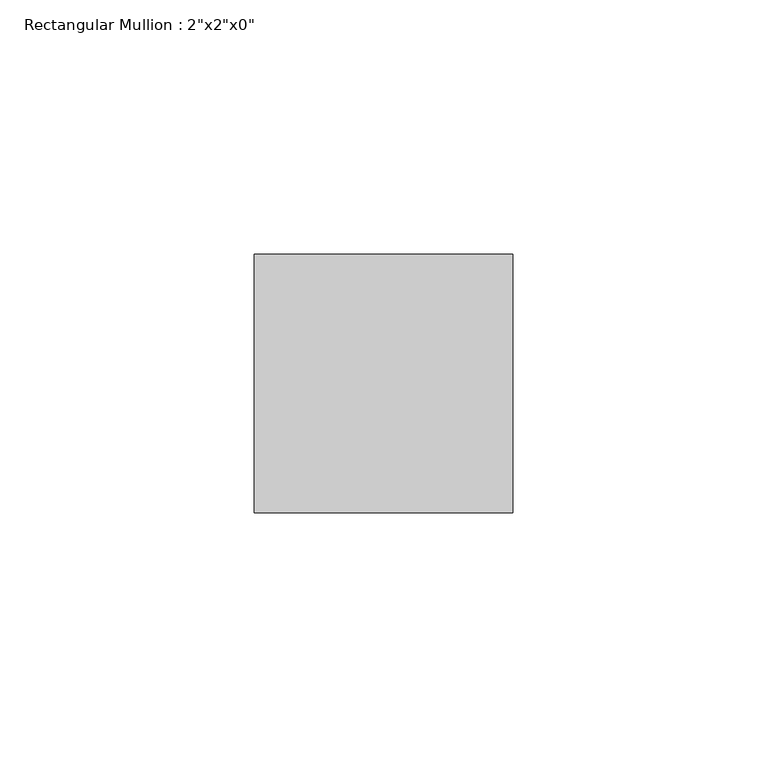
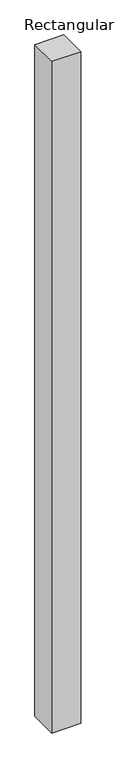
"""IFC4 building model written with IfcOpenShell, lengths in millimetres: member geometry."""

import ifcopenshell
import ifcopenshell.guid

model = None  # the IFC model being written
_history = None  # IfcOwnerHistory: only IFC2X3 demands one
_inside = {}  # id of a spatial element -> (the spatial element, [elements in it])
_under = {}  # id of a project, library or spatial element -> (it, [spatial elements below it])
_declared = {}  # id of a project -> (the project, [libraries it declares])
_typed = {}  # id of a type object -> (the type object, [elements of that type])
_made_of = {}  # id of a material, layer set ... -> (it, [elements and type objects made of it])


def new_model(schema):
    """Start an empty IFC model of exactly this schema.

    Asked for "IFC4X3", IfcOpenShell would pick the latest addendum, in which some entities
    have other attributes; the version numbers below select the first issue.
    IFC2X3 requires an IfcOwnerHistory on every rooted entity: one is made here for all.
    """
    global model, _history
    if schema == "IFC4X3":
        model = ifcopenshell.file(schema_version=(4, 3, 0, 0))
    else:
        model = ifcopenshell.file(schema=schema)
    _inside.clear()
    _under.clear()
    _declared.clear()
    _typed.clear()
    _made_of.clear()
    _history = None
    if model.schema == "IFC2X3":
        org = make("IfcOrganization", Name="unknown")
        user = make(
            "IfcPersonAndOrganization",
            ThePerson=make("IfcPerson", FamilyName="unknown"),
            TheOrganization=org,
        )
        app = make(
            "IfcApplication",
            ApplicationDeveloper=org,
            Version="unknown",
            ApplicationFullName="unknown",
            ApplicationIdentifier="unknown",
        )
        _history = make(
            "IfcOwnerHistory",
            OwningUser=user,
            OwningApplication=app,
            ChangeAction="ADDED",
            CreationDate=0,
        )
    return model


def make(cls, **values):
    """One entity of the class cls with the attributes given. An attribute that is None is left unset."""
    return model.create_entity(
        cls, **{name: value for name, value in values.items() if value is not None}
    )


def rooted(cls, **values):
    """An entity with a GlobalId (a new one), such as an element, a storey or a relation."""
    return make(cls, GlobalId=ifcopenshell.guid.new(), OwnerHistory=_history, **values)


def si_unit(unit_type, name, prefix=None):
    """IfcSIUnit, for example si_unit("LENGTHUNIT", "METRE", prefix="MILLI")."""
    return make("IfcSIUnit", UnitType=unit_type, Prefix=prefix, Name=name)


def assignment(units):
    """IfcUnitAssignment: the units of a project."""
    return None if units is None else make("IfcUnitAssignment", Units=units)


def point(xyz):
    """IfcCartesianPoint."""
    return None if xyz is None else make("IfcCartesianPoint", Coordinates=xyz)


def direction(xyz):
    """IfcDirection."""
    return None if xyz is None else make("IfcDirection", DirectionRatios=xyz)


def frame(location, z_axis=None, x_axis=None):
    """IfcAxis2Placement3D, a coordinate frame: its origin and axes. An axis left out is left unset."""
    return make(
        "IfcAxis2Placement3D",
        Location=point(location),
        Axis=direction(z_axis),
        RefDirection=direction(x_axis),
    )


def origin():
    """The frame at (0, 0, 0) with its axes left unset."""
    return frame((0.0, 0.0, 0.0))


def place(relative_to, where):
    """IfcLocalPlacement: puts the frame where relative to a parent placement (None: the world)."""
    return make(
        "IfcLocalPlacement", PlacementRelTo=relative_to, RelativePlacement=where
    )


def context(
    kind, dimensions, precision=None, world=None, true_north=None, identifier=None
):
    """IfcGeometricRepresentationContext, for example the 3D "Model" context."""
    return make(
        "IfcGeometricRepresentationContext",
        ContextIdentifier=identifier,
        ContextType=kind,
        CoordinateSpaceDimension=dimensions,
        Precision=precision,
        WorldCoordinateSystem=world,
        TrueNorth=true_north,
    )


def project(units=None, contexts=None):
    """IfcProject with its units and contexts."""
    return rooted(
        "IfcProject",
        Name="project",
        RepresentationContexts=contexts,
        UnitsInContext=assignment(units),
    )


def spatial(cls, under=None, at=None, **own):
    """A site, building, storey or space (cls), placed at a placement, below another one or the project."""
    s = rooted(cls, ObjectPlacement=at, **own)
    if under is not None:
        _under.setdefault(under.id(), (under, []))[1].append(s)
    return s


def polyline(points):
    """IfcPolyline through the points."""
    return make("IfcPolyline", Points=[point(p) for p in points])


def outline(outer, holes=None, kind="AREA"):
    """IfcArbitraryClosedProfileDef: a profile drawn as a closed curve; with holes, ...WithVoids."""
    if holes is None:
        return make("IfcArbitraryClosedProfileDef", ProfileType=kind, OuterCurve=outer)
    return make(
        "IfcArbitraryProfileDefWithVoids",
        ProfileType=kind,
        OuterCurve=outer,
        InnerCurves=holes,
    )


def extrude(swept, where, along, depth):
    """IfcExtrudedAreaSolid: the profile swept, set in the frame where, extruded along a direction by depth."""
    return make(
        "IfcExtrudedAreaSolid",
        SweptArea=swept,
        Position=where,
        ExtrudedDirection=direction(along),
        Depth=depth,
    )


def shape(context_of_items, identifier, shape_type, items):
    """IfcShapeRepresentation: the items that make up one representation, for example the "Body"."""
    return make(
        "IfcShapeRepresentation",
        ContextOfItems=context_of_items,
        RepresentationIdentifier=identifier,
        RepresentationType=shape_type,
        Items=items,
    )


def source(mapping_origin, context_of_items, identifier, shape_type, items):
    """IfcRepresentationMap: a shape defined once, which mapped items show again and again."""
    return make(
        "IfcRepresentationMap",
        MappingOrigin=mapping_origin,
        MappedRepresentation=shape(context_of_items, identifier, shape_type, items),
    )


def transform(
    local_origin,
    x_axis=None,
    y_axis=None,
    z_axis=None,
    scale=None,
    scale2=None,
    scale3=None,
    uniform=True,
):
    """IfcCartesianTransformationOperator3D, or its non-uniform kind. x_axis, y_axis, z_axis: its Axis1, 2, 3."""
    if uniform:
        return make(
            "IfcCartesianTransformationOperator3D",
            Axis1=direction(x_axis),
            Axis2=direction(y_axis),
            LocalOrigin=point(local_origin),
            Scale=scale,
            Axis3=direction(z_axis),
        )
    return make(
        "IfcCartesianTransformationOperator3DnonUniform",
        Axis1=direction(x_axis),
        Axis2=direction(y_axis),
        LocalOrigin=point(local_origin),
        Scale=scale,
        Axis3=direction(z_axis),
        Scale2=scale2,
        Scale3=scale3,
    )


def mapped(mapping_source, mapping_target):
    """IfcMappedItem: shows the shape of a source again, moved by a transform."""
    return make(
        "IfcMappedItem", MappingSource=mapping_source, MappingTarget=mapping_target
    )


def made_of(thing, what):
    """Note that an element or type object is made of a material, layer set ...; save() writes the relation."""
    if what is not None:
        _made_of.setdefault(what.id(), (what, []))[1].append(thing)
    return thing


def element(
    cls,
    number,
    at=None,
    inside=None,
    cuts=None,
    type_object=None,
    material=None,
    context=None,
    identifier="Body",
    shape_type=None,
    held_by="IfcProductDefinitionShape",
    body=None,
    shapes=None,
    **own,
):
    """One element of the class cls, such as IfcWall. Its Tag is "e" and its number.

    at: its placement. inside: the storey or other place that contains it. cuts: it is an
    opening in that element (IfcRelVoidsElement). A single representation is given by context,
    identifier, shape_type and body (its items); several are given by shapes. held_by: the class
    of the entity that holds the representations. save() writes the other relations.
    """
    e = rooted(cls, Tag="e%d" % number, ObjectPlacement=at, **own)
    if body is not None:
        shapes = [shape(context, identifier, shape_type, body)]
    if shapes is not None:
        e.Representation = make(held_by, Representations=shapes)
    if inside is not None:
        _inside.setdefault(inside.id(), (inside, []))[1].append(e)
    if cuts is not None:
        rooted(
            "IfcRelVoidsElement", RelatingBuildingElement=cuts, RelatedOpeningElement=e
        )
    if type_object is not None:
        _typed.setdefault(type_object.id(), (type_object, []))[1].append(e)
    return made_of(e, material)


def aggregate(whole, parts):
    """IfcRelAggregates: a whole, such as a stair, and the parts it consists of."""
    return rooted("IfcRelAggregates", RelatingObject=whole, RelatedObjects=parts)


def save(model, path):
    """Write the relations noted so far, then the file.

    IfcRelAggregates (storeys below a building ...), IfcRelContainedInSpatialStructure (elements
    in a storey), IfcRelDefinesByType, IfcRelAssociatesMaterial and IfcRelDeclares: one each for
    every whole, place, type object, material and project.
    """
    for whole, parts in _under.values():
        aggregate(whole, parts)
    for where, things in _inside.values():
        rooted(
            "IfcRelContainedInSpatialStructure",
            RelatedElements=things,
            RelatingStructure=where,
        )
    for kind, things in _typed.values():
        rooted("IfcRelDefinesByType", RelatedObjects=things, RelatingType=kind)
    for what, things in _made_of.values():
        rooted("IfcRelAssociatesMaterial", RelatedObjects=things, RelatingMaterial=what)
    for by, libraries in _declared.values():
        rooted("IfcRelDeclares", RelatingContext=by, RelatedDefinitions=libraries)
    model.write(path)


def member_cbea8c0f(model_context):
    return source(origin(), model_context, "Body", "SweptSolid", [
        extrude(outline(polyline([(25.4, 25.4), (25.4, -25.4), (-25.4, -25.4), (-25.4, 25.4), (25.4, 25.4)])), frame((0.0, 0.0, -1241.5880352), z_axis=(0.0, 0.0, 1.0), x_axis=(1.0, 0.0, 0.0)), (0.0, 0.0, 1.0), 1241.5880352),
    ])


if __name__ == "__main__":
    model = new_model("IFC4")
    model_context = context("Model", 3, world=origin())
    ifc_project = project(units=[si_unit("LENGTHUNIT", "METRE", prefix="MILLI")], contexts=[model_context])
    site = spatial("IfcSite", under=ifc_project)
    building = spatial("IfcBuilding", under=site)
    placement = place(None, origin())
    member_shape = member_cbea8c0f(model_context)
    element("IfcMember", 1, ObjectType="Rectangular Mullion : 2\"x2\"x0\"", at=placement, inside=building, context=model_context, shape_type="MappedRepresentation", body=[
        mapped(member_shape, transform((0.0, 0.0, 0.0), x_axis=(1.0, 0.0, 0.0), y_axis=(0.0, 1.0, 0.0), z_axis=(0.0, 0.0, 1.0))),
    ])
    save(model, "model.ifc")
